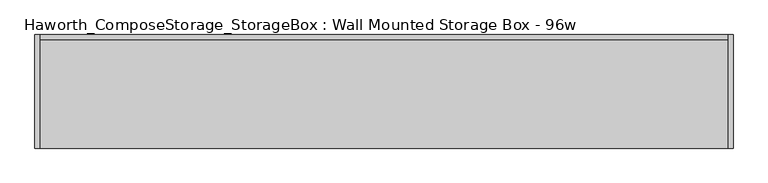
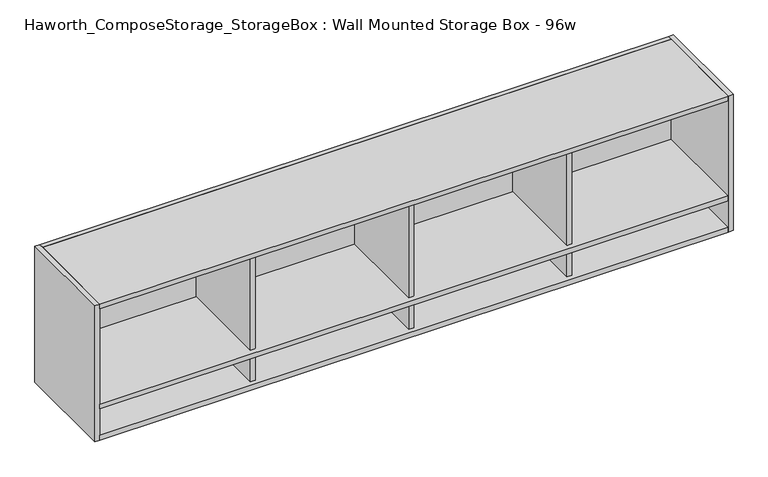
"""IFC4 building model written with IfcOpenShell, lengths in millimetres: furniture geometry, Haworth_ComposeStorage_StorageBox : Wall Mounted Storage Box - 96w."""

from ifc_helpers import new_model, si_unit, frame, origin, place, context, project, spatial, polyline, outline, extrude, faceted_brep, source, transform, mapped, element, save


def haworth_composestorage_storagebox_wall_mounted_storage_box_9e46102a(model_context):
    return source(origin(), model_context, "Body", "SolidModel", [
        faceted_brep([(1365.25, -396.875, 1568.45), (1365.25, -396.875, 1549.4), (1365.25, -19.05, 1549.4), (1365.25, -19.05, 1568.45), (-1035.05, -396.875, 1568.45), (-1035.05, -19.05, 1568.45), (-1035.05, -19.05, 1549.4), (-1035.05, -396.875, 1549.4), (-449.2625, -19.05, 1549.4), (-449.2625, -377.825, 1549.4), (-430.2125, -377.825, 1549.4), (-430.2125, -19.05, 1549.4), (155.575, -19.05, 1549.4), (155.575, -377.825, 1549.4), (174.625, -377.825, 1549.4), (174.625, -19.05, 1549.4), (760.4125, -19.05, 1549.4), (760.4125, -377.825, 1549.4), (779.4625, -377.825, 1549.4), (779.4625, -19.05, 1549.4), (779.4625, -19.05, 1441.45), (760.4125, -19.05, 1441.45), (174.625, -19.05, 1441.45), (155.575, -19.05, 1441.45), (-430.2125, -19.05, 1441.45), (-449.2625, -19.05, 1441.45), (-449.2625, -19.05, 1568.45), (-449.2625, -19.05, 1952.625), (-430.2125, -19.05, 1952.625), (-430.2125, -19.05, 1568.45), (155.575, -19.05, 1568.45), (155.575, -19.05, 1952.625), (174.625, -19.05, 1952.625), (174.625, -19.05, 1568.45), (760.4125, -19.05, 1568.45), (760.4125, -19.05, 1952.625), (779.4625, -19.05, 1952.625), (779.4625, -19.05, 1568.45), (779.4625, -377.825, 1568.45), (760.4125, -377.825, 1568.45), (174.625, -377.825, 1568.45), (155.575, -377.825, 1568.45), (-430.2125, -377.825, 1568.45), (-449.2625, -377.825, 1568.45), (-449.2625, -377.825, 1952.625), (-430.2125, -377.825, 1952.625), (-430.2125, -377.825, 1441.45), (-449.2625, -377.825, 1441.45), (155.575, -377.825, 1952.625), (174.625, -377.825, 1952.625), (174.625, -377.825, 1441.45), (155.575, -377.825, 1441.45), (760.4125, -377.825, 1952.625), (779.4625, -377.825, 1952.625), (779.4625, -377.825, 1441.45), (760.4125, -377.825, 1441.45)], [[[0, 1, 2, 3]], [[4, 5, 6, 7]], [[1, 0, 4, 7]], [[2, 1, 7, 6, 8, 9, 10, 11, 12, 13, 14, 15, 16, 17, 18, 19]], [[3, 2, 19, 20, 21, 16, 15, 22, 23, 12, 11, 24, 25, 8, 6, 5, 26, 27, 28, 29, 30, 31, 32, 33, 34, 35, 36, 37]], [[0, 3, 37, 38, 39, 34, 33, 40, 41, 30, 29, 42, 43, 26, 5, 4]], [[28, 27, 44, 45]], [[24, 46, 47, 25]], [[44, 27, 26, 43]], [[25, 47, 9, 8]], [[45, 44, 43, 42]], [[47, 46, 10, 9]], [[28, 45, 42, 29]], [[46, 24, 11, 10]], [[32, 31, 48, 49]], [[22, 50, 51, 23]], [[48, 31, 30, 41]], [[23, 51, 13, 12]], [[49, 48, 41, 40]], [[51, 50, 14, 13]], [[32, 49, 40, 33]], [[50, 22, 15, 14]], [[36, 35, 52, 53]], [[20, 54, 55, 21]], [[52, 35, 34, 39]], [[21, 55, 17, 16]], [[53, 52, 39, 38]], [[55, 54, 18, 17]], [[36, 53, 38, 37]], [[54, 20, 19, 18]]]),
        extrude(outline(polyline([(1365.25, 0.0), (1365.25, -396.875), (-1035.05, -396.875), (-1035.05, 0.0), (1365.25, 0.0)])), frame((0.0, 0.0, 1422.4), z_axis=(0.0, 0.0, 1.0), x_axis=(1.0, 0.0, 0.0)), (0.0, 0.0, 1.0), 19.05),
        extrude(outline(polyline([(1365.25, -19.05), (1365.25, -396.875), (-1035.05, -396.875), (-1035.05, -19.05), (1365.25, -19.05)])), frame((0.0, 0.0, 1952.625), z_axis=(0.0, 0.0, 1.0), x_axis=(1.0, 0.0, 0.0)), (0.0, 0.0, 1.0), 19.05),
        extrude(outline(polyline([(1365.25, 0.0), (1365.25, -19.05), (-1035.05, -19.05), (-1035.05, 0.0), (1365.25, 0.0)])), frame((0.0, 0.0, 1422.4), z_axis=(0.0, 0.0, 1.0), x_axis=(1.0, 0.0, 0.0)), (0.0, 0.0, 1.0), 549.275),
        extrude(outline(polyline([(1384.3, 0.0), (1384.3, -396.875), (1365.25, -396.875), (1365.25, 0.0), (1384.3, 0.0)])), frame((0.0, 0.0, 1422.4), z_axis=(0.0, 0.0, 1.0), x_axis=(1.0, 0.0, 0.0)), (0.0, 0.0, 1.0), 549.275),
        extrude(outline(polyline([(-1035.05, 0.0), (-1035.05, -396.875), (-1054.1, -396.875), (-1054.1, 0.0), (-1035.05, 0.0)])), frame((0.0, 0.0, 1422.4), z_axis=(0.0, 0.0, 1.0), x_axis=(1.0, 0.0, 0.0)), (0.0, 0.0, 1.0), 549.275),
    ])


if __name__ == "__main__":
    model = new_model("IFC4")
    model_context = context("Model", 3, world=origin())
    ifc_project = project(units=[si_unit("LENGTHUNIT", "METRE", prefix="MILLI")], contexts=[model_context])
    site = spatial("IfcSite", under=ifc_project)
    building = spatial("IfcBuilding", under=site)
    placement = place(None, origin())
    haworth_composestorage_storagebox_wall_mounted_storage_box_shape = haworth_composestorage_storagebox_wall_mounted_storage_box_9e46102a(model_context)
    element("IfcFurniture", 1, ObjectType="Haworth_ComposeStorage_StorageBox : Wall Mounted Storage Box - 96w", at=placement, inside=building, context=model_context, shape_type="MappedRepresentation", body=[
        mapped(haworth_composestorage_storagebox_wall_mounted_storage_box_shape, transform((0.0, 0.0, 0.0), x_axis=(1.0, 0.0, 0.0), y_axis=(0.0, 1.0, 0.0), z_axis=(0.0, 0.0, 1.0))),
    ])
    save(model, "model.ifc")
